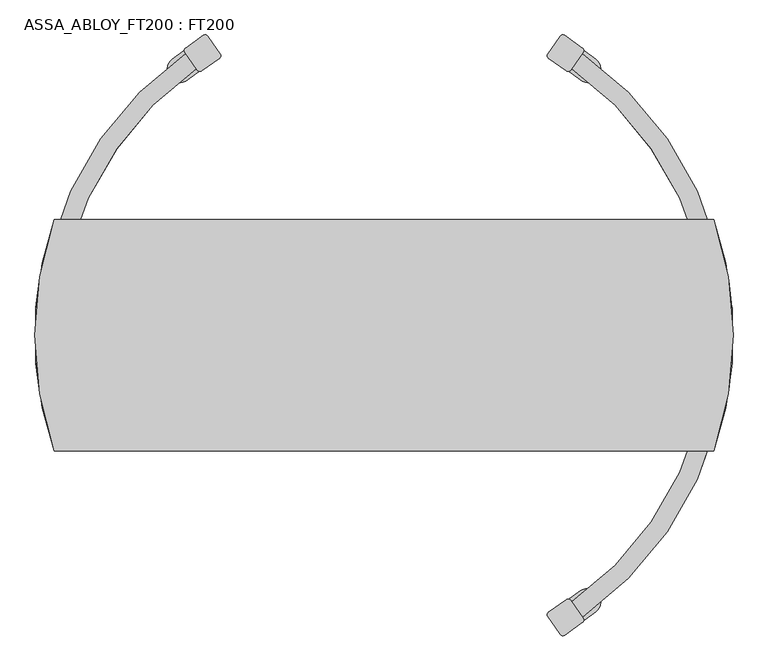
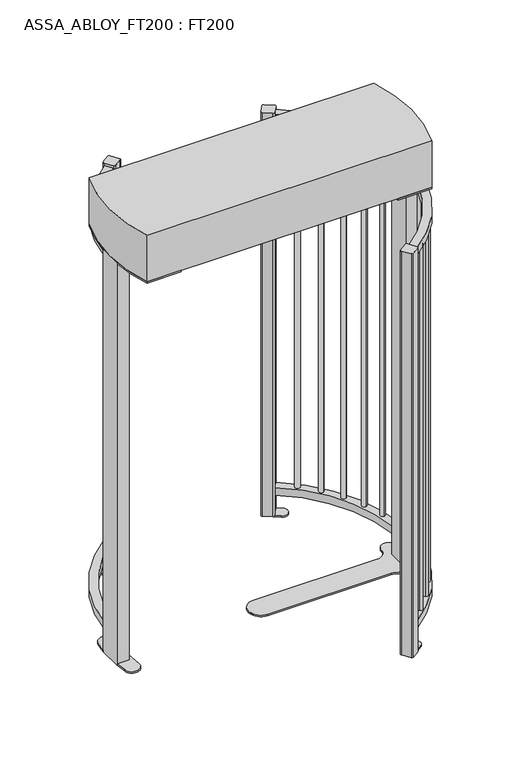
"""IFC4 building model written with IfcOpenShell, lengths in millimetres: proxy geometry, ASSA_ABLOY_FT200 : FT200."""

from ifc_helpers import new_model, si_unit, point, frame, frame_2d, origin, origin_with_axes, origin_2d, place, context, project, spatial, polyline, circle_curve, trimmed, segment, composite_curve, outline, extrude, source, transform, mapped, element, save
from ifc_brep_helpers import plane_surface, cylinder_surface, revolved_surface, advanced_brep


def assa_abloy_ft200_ft200_4cda181b(model_context):
    return source(origin(), model_context, "Body", "SolidModel", [
        extrude(outline(composite_curve([segment(trimmed(circle_curve(origin_2d(), 702.9655826), [point((-404.208902, 575.1310927))], [point((-700.4003215, 60.0))], True, "CARTESIAN"), True, "CONTINUOUS"), segment(polyline([(-700.4003215, 60.0), (-740.5388963, 60.0)]), True, "CONTINUOUS"), segment(trimmed(circle_curve(origin_2d(), 742.9655826), [point((-740.5388963, 60.0))], [point((-427.2091121, 607.8570814))], False, "CARTESIAN"), True, "CONTINUOUS"), segment(polyline([(-427.2091121, 607.8570814), (-404.208902, 575.1310927)]), True, "CONTINUOUS")], self_intersect=False)), frame((0.0, 0.0, 108.5), z_axis=(0.0, 0.0, 1.0), x_axis=(1.0, 0.0, 0.0)), (0.0, 0.0, 1.0), 40.0),
        extrude(outline(composite_curve([segment(trimmed(circle_curve(origin_2d(), 702.9655826), [point((-404.208902, 575.1310927))], [point((-700.4003215, 60.0))], True, "CARTESIAN"), True, "CONTINUOUS"), segment(polyline([(-700.4003215, 60.0), (-740.5388963, 60.0)]), True, "CONTINUOUS"), segment(trimmed(circle_curve(origin_2d(), 742.9655826), [point((-740.5388963, 60.0))], [point((-427.2091121, 607.8570814))], False, "CARTESIAN"), True, "CONTINUOUS"), segment(polyline([(-427.2091121, 607.8570814), (-404.208902, 575.1310927)]), True, "CONTINUOUS")], self_intersect=False)), frame((0.0, 0.0, 2077.0), z_axis=(0.0, 0.0, 1.0), x_axis=(1.0, 0.0, 0.0)), (0.0, 0.0, 1.0), 40.0),
        extrude(outline(composite_curve([segment(trimmed(circle_curve(frame_2d((-385.4083349, 641.5551727)), 6.4), [point((-389.0883685, 646.7913309))], [point((-380.1721767, 645.2352063))], False, "CARTESIAN"), True, "CONTINUOUS"), segment(polyline([(-380.1721767, 645.2352063), (-353.0319288, 606.6185396)]), True, "CONTINUOUS"), segment(trimmed(circle_curve(frame_2d((-358.268087, 602.938506)), 6.4), [point((-353.0319288, 606.6185396))], [point((-354.5880534, 597.7023478))], False, "CARTESIAN"), True, "CONTINUOUS"), segment(polyline([(-354.5880534, 597.7023478), (-393.1849809, 570.5759728)]), True, "CONTINUOUS"), segment(trimmed(circle_curve(frame_2d((-396.8650146, 575.812131)), 6.4), [point((-393.1849809, 570.5759728))], [point((-402.1011728, 572.1320974))], False, "CARTESIAN"), True, "CONTINUOUS"), segment(polyline([(-402.1011728, 572.1320974), (-429.2414207, 610.7487641)]), True, "CONTINUOUS"), segment(trimmed(circle_curve(frame_2d((-424.0052625, 614.4287977)), 6.4), [point((-429.2414207, 610.7487641))], [point((-427.6852961, 619.6649559))], False, "CARTESIAN"), True, "CONTINUOUS"), segment(polyline([(-427.6852961, 619.6649559), (-389.0883685, 646.7913309)]), True, "CONTINUOUS")], self_intersect=False)), origin_with_axes(), (0.0, 0.0, 1.0), 2130.0),
        extrude(outline(composite_curve([segment(trimmed(circle_curve(frame_2d((22.7301443, -32.341724)), 734.3647421), [point((-399.5334393, 568.4785823))], [point((-422.8493965, 551.396614))], True, "CARTESIAN"), True, "CONTINUOUS"), segment(trimmed(circle_curve(frame_2d((-439.8385388, 573.6535016)), 28.0), [point((-422.8493965, 551.396614))], [point((-456.8276812, 595.9103891))], False, "CARTESIAN"), True, "CONTINUOUS"), segment(trimmed(circle_curve(frame_2d((22.7301443, -32.341724)), 790.3647421), [point((-456.8276812, 595.9103891))], [point((-431.7337334, 614.2949664))], False, "CARTESIAN"), True, "CONTINUOUS"), segment(polyline([(-431.7337334, 614.2949664), (-399.5334393, 568.4785823)]), True, "CONTINUOUS")], self_intersect=False)), origin_with_axes(), (0.0, 0.0, 1.0), 8.0),
        advanced_brep(
        [(701.3972813, -175.3425532, 148.5), (706.9882272, -150.9757519, 148.5), (701.3972813, -175.3425532, 2077.0), (707.0228878, -150.9837307, 2077.0)],
        [
            (0, 1, circle_curve(frame((704.2014208, -163.1611411, 148.5), z_axis=(0.0, 0.0, -1.0), x_axis=(0.22571736015093904, 0.9741928316952919, 0.0)), 12.5)),
            (1, 0, circle_curve(frame((704.2014208, -163.1611411, 148.5), z_axis=(0.0, 0.0, -1.0), x_axis=(0.22571736015093904, 0.9741928316952919, 0.0)), 12.5)),
            (2, 3, circle_curve(frame((704.2014208, -163.1611411, 2077.0), z_axis=(0.0, 0.0, 1.0), x_axis=(0.22571736015093904, 0.9741928316952919, 0.0)), 12.5)),
            (3, 2, circle_curve(frame((704.2014208, -163.1611411, 2077.0), z_axis=(0.0, 0.0, 1.0), x_axis=(0.22571736015093904, 0.9741928316952919, 0.0)), 12.5)),
            (1, 3),
            (2, 0),
        ],
        [
            plane_surface(frame((704.243998, -163.1710797, 148.5), z_axis=(0.0, 0.0, -1.0), x_axis=(0.9741928316952919, -0.22571736015093904, 0.0))),
            plane_surface(frame((704.243998, -163.1710797, 2077.0), z_axis=(0.0, 0.0, 1.0), x_axis=(0.9741928316952919, -0.22571736015093904, 0.0))),
            cylinder_surface(frame((704.2014208, -163.1611411, 148.5), z_axis=(0.0, 0.0, -1.0), x_axis=(0.22571736015093904, 0.9741928316952919, 0.0)), 12.5),
        ],
        [
            (0, [[1, 2]]),
            (1, [[3, 4]]),
            (2, [[5, -3, 6, -2]]),
            (2, [[-6, -4, -5, -1]]),
        ],
    ),
        advanced_brep(
        [(676.7879449, -254.2857379, 148.5), (667.5751595, -277.5263117, 148.5), (676.7879449, -254.2857379, 2077.0), (667.5421072, -277.5131822, 2077.0)],
        [
            (0, 1, circle_curve(frame((672.1732868, -265.9027483, 148.5), z_axis=(0.0, 0.0, -1.0), x_axis=(0.3678501839674795, 0.9298850693258235, 0.0)), 12.5)),
            (1, 0, circle_curve(frame((672.1732868, -265.9027483, 148.5), z_axis=(0.0, 0.0, -1.0), x_axis=(0.3678501839674795, 0.9298850693258235, 0.0)), 12.5)),
            (2, 3, circle_curve(frame((672.1732868, -265.9027483, 2077.0), z_axis=(0.0, 0.0, 1.0), x_axis=(0.3678501839674795, 0.9298850693258235, 0.0)), 12.5)),
            (3, 2, circle_curve(frame((672.1732868, -265.9027483, 2077.0), z_axis=(0.0, 0.0, 1.0), x_axis=(0.3678501839674795, 0.9298850693258235, 0.0)), 12.5)),
            (1, 3),
            (2, 0),
        ],
        [
            plane_surface(frame((672.2139166, -265.918898, 148.5), z_axis=(0.0, 0.0, -1.0), x_axis=(0.9298850693258235, -0.3678501839674795, 0.0))),
            plane_surface(frame((672.2139166, -265.918898, 2077.0), z_axis=(0.0, 0.0, 1.0), x_axis=(0.9298850693258235, -0.3678501839674795, 0.0))),
            cylinder_surface(frame((672.1732868, -265.9027483, 148.5), z_axis=(0.0, 0.0, -1.0), x_axis=(0.3678501839674795, 0.9298850693258235, 0.0)), 12.5),
        ],
        [
            (0, [[1, 2]]),
            (1, [[3, 4]]),
            (2, [[5, -3, 6, -2]]),
            (2, [[-6, -4, -5, -1]]),
        ],
    ),
        advanced_brep(
        [(631.5347326, -351.9474966, 148.5), (618.9736169, -373.5627241, 148.5), (631.5347326, -351.9474966, 2077.0), (618.9428802, -373.544833, 2077.0)],
        [
            (0, 1, circle_curve(frame((625.2464874, -362.7506431, 148.5), z_axis=(0.0, 0.0, -1.0), x_axis=(0.5018296388362806, 0.8649664811918715, 0.0)), 12.5)),
            (1, 0, circle_curve(frame((625.2464874, -362.7506431, 148.5), z_axis=(0.0, 0.0, -1.0), x_axis=(0.5018296388362806, 0.8649664811918715, 0.0)), 12.5)),
            (2, 3, circle_curve(frame((625.2464874, -362.7506431, 2077.0), z_axis=(0.0, 0.0, 1.0), x_axis=(0.5018296388362806, 0.8649664811918715, 0.0)), 12.5)),
            (3, 2, circle_curve(frame((625.2464874, -362.7506431, 2077.0), z_axis=(0.0, 0.0, 1.0), x_axis=(0.5018296388362806, 0.8649664811918715, 0.0)), 12.5)),
            (1, 3),
            (2, 0),
        ],
        [
            plane_surface(frame((625.2842693, -362.7726459, 148.5), z_axis=(0.0, 0.0, -1.0), x_axis=(0.8649664811918715, -0.5018296388362806, 0.0))),
            plane_surface(frame((625.2842693, -362.7726459, 2077.0), z_axis=(0.0, 0.0, 1.0), x_axis=(0.8649664811918715, -0.5018296388362806, 0.0))),
            cylinder_surface(frame((625.2464874, -362.7506431, 148.5), z_axis=(0.0, 0.0, -1.0), x_axis=(0.5018296388362806, 0.8649664811918715, 0.0)), 12.5),
        ],
        [
            (0, [[1, 2]]),
            (1, [[3, 4]]),
            (2, [[5, -3, 6, -2]]),
            (2, [[-6, -4, -5, -1]]),
        ],
    ),
        advanced_brep(
        [(572.1141399, -442.027793, 148.5), (556.4756293, -461.5325788, 148.5), (572.1141399, -442.027793, 2077.0), (556.447898, -461.510312, 2077.0)],
        [
            (0, 1, circle_curve(frame((564.2879478, -451.7746241, 148.5), z_axis=(0.0, 0.0, -1.0), x_axis=(0.6249854827810994, 0.7806363726555894, 0.0)), 12.5)),
            (1, 0, circle_curve(frame((564.2879478, -451.7746241, 148.5), z_axis=(0.0, 0.0, -1.0), x_axis=(0.6249854827810994, 0.7806363726555894, 0.0)), 12.5)),
            (2, 3, circle_curve(frame((564.2879478, -451.7746241, 2077.0), z_axis=(0.0, 0.0, 1.0), x_axis=(0.6249854827810994, 0.7806363726555894, 0.0)), 12.5)),
            (3, 2, circle_curve(frame((564.2879478, -451.7746241, 2077.0), z_axis=(0.0, 0.0, 1.0), x_axis=(0.6249854827810994, 0.7806363726555894, 0.0)), 12.5)),
            (1, 3),
            (2, 0),
        ],
        [
            plane_surface(frame((564.3220338, -451.8020055, 148.5), z_axis=(0.0, 0.0, -1.0000000000000002), x_axis=(0.7806363726555894, -0.6249854827810994, 0.0))),
            plane_surface(frame((564.3220338, -451.8020055, 2077.0), z_axis=(0.0, 0.0, 1.0000000000000002), x_axis=(0.7806363726555894, -0.6249854827810994, 0.0))),
            cylinder_surface(frame((564.2879478, -451.7746241, 148.5), z_axis=(0.0, 0.0, -1.0000000000000002), x_axis=(0.6249854827810994, 0.7806363726555894, 0.0)), 12.5),
        ],
        [
            (0, [[1, 2]]),
            (1, [[3, 4]]),
            (2, [[5, -3, 6, -2]]),
            (2, [[-6, -4, -5, -1]]),
        ],
    ),
        advanced_brep(
        [(500.1042882, -522.0582297, 148.5), (481.7532546, -539.0358491, 148.5), (500.1042882, -522.0582297, 2077.0), (481.7502022, -539.0325492, 2077.0)],
        [
            (0, 1, circle_curve(frame((490.9280083, -530.5462145, 148.5), z_axis=(0.0, 0.0, -1.0), x_axis=(0.733980288863185, 0.6791707705432527, 0.0)), 12.5)),
            (1, 0, circle_curve(frame((490.9280083, -530.5462145, 148.5), z_axis=(0.0, 0.0, -1.0), x_axis=(0.733980288863185, 0.6791707705432527, 0.0)), 12.5)),
            (2, 3, circle_curve(frame((490.9280083, -530.5462145, 2077.0), z_axis=(0.0, 0.0, 1.0), x_axis=(0.733980288863185, 0.6791707705432527, 0.0)), 12.5)),
            (3, 2, circle_curve(frame((490.9280083, -530.5462145, 2077.0), z_axis=(0.0, 0.0, 1.0), x_axis=(0.733980288863185, 0.6791707705432527, 0.0)), 12.5)),
            (1, 3),
            (2, 0),
        ],
        [
            plane_surface(frame((490.97255, -530.5943508, 148.5), z_axis=(0.0, 0.0, -1.0000000000000002), x_axis=(0.6791707705432527, -0.733980288863185, 0.0))),
            plane_surface(frame((490.97255, -530.5943508, 2077.0), z_axis=(0.0, 0.0, 1.0000000000000002), x_axis=(0.6791707705432527, -0.733980288863185, 0.0))),
            cylinder_surface(frame((490.9280083, -530.5462145, 148.5), z_axis=(0.0, 0.0, -1.0000000000000002), x_axis=(0.733980288863185, 0.6791707705432527, 0.0)), 12.5),
        ],
        [
            (0, [[1, 2]]),
            (1, [[3, 4]]),
            (2, [[5, -3, 6, -2]]),
            (2, [[-6, -4, -5, -1]]),
        ],
    ),
        extrude(outline(composite_curve([segment(trimmed(circle_curve(origin_2d(), 702.9655826), [point((404.208902, -575.1310927))], [point((700.4003215, -60.0))], True, "CARTESIAN"), True, "CONTINUOUS"), segment(polyline([(700.4003215, -60.0), (740.5388963, -60.0)]), True, "CONTINUOUS"), segment(trimmed(circle_curve(origin_2d(), 742.9655826), [point((740.5388963, -60.0))], [point((427.2091121, -607.8570814))], False, "CARTESIAN"), True, "CONTINUOUS"), segment(polyline([(427.2091121, -607.8570814), (404.208902, -575.1310927)]), True, "CONTINUOUS")], self_intersect=False)), frame((0.0, 0.0, 108.5), z_axis=(0.0, 0.0, 1.0), x_axis=(1.0, 0.0, 0.0)), (0.0, 0.0, 1.0), 40.0),
        extrude(outline(composite_curve([segment(trimmed(circle_curve(origin_2d(), 702.9655826), [point((404.208902, -575.1310927))], [point((700.4003215, -60.0))], True, "CARTESIAN"), True, "CONTINUOUS"), segment(polyline([(700.4003215, -60.0), (740.5388963, -60.0)]), True, "CONTINUOUS"), segment(trimmed(circle_curve(origin_2d(), 742.9655826), [point((740.5388963, -60.0))], [point((427.2091121, -607.8570814))], False, "CARTESIAN"), True, "CONTINUOUS"), segment(polyline([(427.2091121, -607.8570814), (404.208902, -575.1310927)]), True, "CONTINUOUS")], self_intersect=False)), frame((0.0, 0.0, 2077.0), z_axis=(0.0, 0.0, 1.0), x_axis=(1.0, 0.0, 0.0)), (0.0, 0.0, 1.0), 40.0),
        extrude(outline(composite_curve([segment(trimmed(circle_curve(frame_2d((385.4083349, -641.5551727)), 6.4), [point((389.0883685, -646.7913309))], [point((380.1721767, -645.2352063))], False, "CARTESIAN"), True, "CONTINUOUS"), segment(polyline([(380.1721767, -645.2352063), (353.0319288, -606.6185396)]), True, "CONTINUOUS"), segment(trimmed(circle_curve(frame_2d((358.268087, -602.938506)), 6.4), [point((353.0319288, -606.6185396))], [point((354.5880534, -597.7023478))], False, "CARTESIAN"), True, "CONTINUOUS"), segment(polyline([(354.5880534, -597.7023478), (393.1849809, -570.5759728)]), True, "CONTINUOUS"), segment(trimmed(circle_curve(frame_2d((396.8650146, -575.812131)), 6.4), [point((393.1849809, -570.5759728))], [point((402.1011728, -572.1320974))], False, "CARTESIAN"), True, "CONTINUOUS"), segment(polyline([(402.1011728, -572.1320974), (429.2414207, -610.7487641)]), True, "CONTINUOUS"), segment(trimmed(circle_curve(frame_2d((424.0052625, -614.4287977)), 6.4), [point((429.2414207, -610.7487641))], [point((427.6852961, -619.6649559))], False, "CARTESIAN"), True, "CONTINUOUS"), segment(polyline([(427.6852961, -619.6649559), (389.0883685, -646.7913309)]), True, "CONTINUOUS")], self_intersect=False)), origin_with_axes(), (0.0, 0.0, 1.0), 2130.0),
        extrude(outline(composite_curve([segment(trimmed(circle_curve(frame_2d((-22.7301443, 32.341724)), 734.3647421), [point((399.5334393, -568.4785823))], [point((422.8493965, -551.396614))], True, "CARTESIAN"), True, "CONTINUOUS"), segment(trimmed(circle_curve(frame_2d((439.8385388, -573.6535016)), 28.0), [point((422.8493965, -551.396614))], [point((456.8276812, -595.9103891))], False, "CARTESIAN"), True, "CONTINUOUS"), segment(trimmed(circle_curve(frame_2d((-22.7301443, 32.341724)), 790.3647421), [point((456.8276812, -595.9103891))], [point((431.7337334, -614.2949664))], False, "CARTESIAN"), True, "CONTINUOUS"), segment(polyline([(431.7337334, -614.2949664), (399.5334393, -568.4785823)]), True, "CONTINUOUS")], self_intersect=False)), origin_with_axes(), (0.0, 0.0, 1.0), 8.0),
        advanced_brep(
        [(701.3972813, 175.3425532, 148.5), (707.0228878, 150.9837307, 148.5), (701.3972813, 175.3425532, 2077.0), (706.9882272, 150.9757519, 2077.0)],
        [
            (0, 1, circle_curve(frame((704.2014208, 163.1611411, 148.5), z_axis=(0.0, 0.0, -1.0), x_axis=(0.22571736015093904, -0.9741928316952919, 0.0)), 12.5)),
            (1, 0, circle_curve(frame((704.2014208, 163.1611411, 148.5), z_axis=(0.0, 0.0, -1.0), x_axis=(0.22571736015093904, -0.9741928316952919, 0.0)), 12.5)),
            (2, 3, circle_curve(frame((704.2014208, 163.1611411, 2077.0), z_axis=(0.0, 0.0, 1.0), x_axis=(0.22571736015093904, -0.9741928316952919, 0.0)), 12.5)),
            (3, 2, circle_curve(frame((704.2014208, 163.1611411, 2077.0), z_axis=(0.0, 0.0, 1.0), x_axis=(0.22571736015093904, -0.9741928316952919, 0.0)), 12.5)),
            (0, 2),
            (3, 1),
        ],
        [
            plane_surface(frame((704.243998, 163.1710797, 148.5), z_axis=(0.0, 0.0, -1.0), x_axis=(0.9741928316952919, 0.22571736015093904, 0.0))),
            plane_surface(frame((704.243998, 163.1710797, 2077.0), z_axis=(0.0, 0.0, 1.0), x_axis=(0.9741928316952919, 0.22571736015093904, 0.0))),
            cylinder_surface(frame((704.2014208, 163.1611411, 148.5), z_axis=(0.0, 0.0, -1.0), x_axis=(0.22571736015093904, -0.9741928316952919, 0.0)), 12.5),
        ],
        [
            (0, [[1, 2]]),
            (1, [[3, 4]]),
            (2, [[-1, 5, -4, 6]]),
            (2, [[-2, -6, -3, -5]]),
        ],
    ),
        advanced_brep(
        [(676.7879449, 254.2857379, 148.5), (667.5421072, 277.5131822, 148.5), (676.7879449, 254.2857379, 2077.0), (667.5751595, 277.5263117, 2077.0)],
        [
            (0, 1, circle_curve(frame((672.1732868, 265.9027483, 148.5), z_axis=(0.0, 0.0, -1.0), x_axis=(0.3678501839674795, -0.9298850693258235, 0.0)), 12.5)),
            (1, 0, circle_curve(frame((672.1732868, 265.9027483, 148.5), z_axis=(0.0, 0.0, -1.0), x_axis=(0.3678501839674795, -0.9298850693258235, 0.0)), 12.5)),
            (2, 3, circle_curve(frame((672.1732868, 265.9027483, 2077.0), z_axis=(0.0, 0.0, 1.0), x_axis=(0.3678501839674795, -0.9298850693258235, 0.0)), 12.5)),
            (3, 2, circle_curve(frame((672.1732868, 265.9027483, 2077.0), z_axis=(0.0, 0.0, 1.0), x_axis=(0.3678501839674795, -0.9298850693258235, 0.0)), 12.5)),
            (0, 2),
            (3, 1),
        ],
        [
            plane_surface(frame((672.2139166, 265.918898, 148.5), z_axis=(0.0, 0.0, -1.0), x_axis=(0.9298850693258235, 0.3678501839674795, 0.0))),
            plane_surface(frame((672.2139166, 265.918898, 2077.0), z_axis=(0.0, 0.0, 1.0), x_axis=(0.9298850693258235, 0.3678501839674795, 0.0))),
            cylinder_surface(frame((672.1732868, 265.9027483, 148.5), z_axis=(0.0, 0.0, -1.0), x_axis=(0.3678501839674795, -0.9298850693258235, 0.0)), 12.5),
        ],
        [
            (0, [[1, 2]]),
            (1, [[3, 4]]),
            (2, [[-1, 5, -4, 6]]),
            (2, [[-2, -6, -3, -5]]),
        ],
    ),
        advanced_brep(
        [(631.5347326, 351.9474966, 148.5), (618.9428802, 373.544833, 148.5), (631.5347326, 351.9474966, 2077.0), (618.9736169, 373.5627241, 2077.0)],
        [
            (0, 1, circle_curve(frame((625.2464874, 362.7506431, 148.5), z_axis=(0.0, 0.0, -1.0), x_axis=(0.5018296388362806, -0.8649664811918715, 0.0)), 12.5)),
            (1, 0, circle_curve(frame((625.2464874, 362.7506431, 148.5), z_axis=(0.0, 0.0, -1.0), x_axis=(0.5018296388362806, -0.8649664811918715, 0.0)), 12.5)),
            (2, 3, circle_curve(frame((625.2464874, 362.7506431, 2077.0), z_axis=(0.0, 0.0, 1.0), x_axis=(0.5018296388362806, -0.8649664811918715, 0.0)), 12.5)),
            (3, 2, circle_curve(frame((625.2464874, 362.7506431, 2077.0), z_axis=(0.0, 0.0, 1.0), x_axis=(0.5018296388362806, -0.8649664811918715, 0.0)), 12.5)),
            (0, 2),
            (3, 1),
        ],
        [
            plane_surface(frame((625.2842693, 362.7726459, 148.5), z_axis=(0.0, 0.0, -1.0), x_axis=(0.8649664811918715, 0.5018296388362806, 0.0))),
            plane_surface(frame((625.2842693, 362.7726459, 2077.0), z_axis=(0.0, 0.0, 1.0), x_axis=(0.8649664811918715, 0.5018296388362806, 0.0))),
            cylinder_surface(frame((625.2464874, 362.7506431, 148.5), z_axis=(0.0, 0.0, -1.0), x_axis=(0.5018296388362806, -0.8649664811918715, 0.0)), 12.5),
        ],
        [
            (0, [[1, 2]]),
            (1, [[3, 4]]),
            (2, [[-1, 5, -4, 6]]),
            (2, [[-2, -6, -3, -5]]),
        ],
    ),
        advanced_brep(
        [(572.1141399, 442.027793, 148.5), (556.447898, 461.510312, 148.5), (572.1141399, 442.027793, 2077.0), (556.4756293, 461.5325788, 2077.0)],
        [
            (0, 1, circle_curve(frame((564.2879478, 451.7746241, 148.5), z_axis=(0.0, 0.0, -1.0), x_axis=(0.6249854827810994, -0.7806363726555894, 0.0)), 12.5)),
            (1, 0, circle_curve(frame((564.2879478, 451.7746241, 148.5), z_axis=(0.0, 0.0, -1.0), x_axis=(0.6249854827810994, -0.7806363726555894, 0.0)), 12.5)),
            (2, 3, circle_curve(frame((564.2879478, 451.7746241, 2077.0), z_axis=(0.0, 0.0, 1.0), x_axis=(0.6249854827810994, -0.7806363726555894, 0.0)), 12.5)),
            (3, 2, circle_curve(frame((564.2879478, 451.7746241, 2077.0), z_axis=(0.0, 0.0, 1.0), x_axis=(0.6249854827810994, -0.7806363726555894, 0.0)), 12.5)),
            (0, 2),
            (3, 1),
        ],
        [
            plane_surface(frame((564.3220338, 451.8020055, 148.5), z_axis=(0.0, 0.0, -1.0000000000000002), x_axis=(0.7806363726555894, 0.6249854827810994, 0.0))),
            plane_surface(frame((564.3220338, 451.8020055, 2077.0), z_axis=(0.0, 0.0, 1.0000000000000002), x_axis=(0.7806363726555894, 0.6249854827810994, 0.0))),
            cylinder_surface(frame((564.2879478, 451.7746241, 148.5), z_axis=(0.0, 0.0, -1.0000000000000002), x_axis=(0.6249854827810994, -0.7806363726555894, 0.0)), 12.5),
        ],
        [
            (0, [[1, 2]]),
            (1, [[3, 4]]),
            (2, [[-1, 5, -4, 6]]),
            (2, [[-2, -6, -3, -5]]),
        ],
    ),
        advanced_brep(
        [(500.1042882, 522.0582297, 148.5), (481.7502022, 539.0325492, 148.5), (500.1042882, 522.0582297, 2077.0), (481.7532546, 539.0358491, 2077.0)],
        [
            (0, 1, circle_curve(frame((490.9280083, 530.5462145, 148.5), z_axis=(0.0, 0.0, -1.0), x_axis=(0.733980288863185, -0.6791707705432527, 0.0)), 12.5)),
            (1, 0, circle_curve(frame((490.9280083, 530.5462145, 148.5), z_axis=(0.0, 0.0, -1.0), x_axis=(0.733980288863185, -0.6791707705432527, 0.0)), 12.5)),
            (2, 3, circle_curve(frame((490.9280083, 530.5462145, 2077.0), z_axis=(0.0, 0.0, 1.0), x_axis=(0.733980288863185, -0.6791707705432527, 0.0)), 12.5)),
            (3, 2, circle_curve(frame((490.9280083, 530.5462145, 2077.0), z_axis=(0.0, 0.0, 1.0), x_axis=(0.733980288863185, -0.6791707705432527, 0.0)), 12.5)),
            (0, 2),
            (3, 1),
        ],
        [
            plane_surface(frame((490.97255, 530.5943508, 148.5), z_axis=(0.0, 0.0, -1.0000000000000002), x_axis=(0.6791707705432527, 0.733980288863185, 0.0))),
            plane_surface(frame((490.97255, 530.5943508, 2077.0), z_axis=(0.0, 0.0, 1.0000000000000002), x_axis=(0.6791707705432527, 0.733980288863185, 0.0))),
            cylinder_surface(frame((490.9280083, 530.5462145, 148.5), z_axis=(0.0, 0.0, -1.0000000000000002), x_axis=(0.733980288863185, -0.6791707705432527, 0.0)), 12.5),
        ],
        [
            (0, [[1, 2]]),
            (1, [[3, 4]]),
            (2, [[-1, 5, -4, 6]]),
            (2, [[-2, -6, -3, -5]]),
        ],
    ),
        extrude(outline(composite_curve([segment(polyline([(404.208902, 575.1310927), (427.2091121, 607.8570814)]), True, "CONTINUOUS"), segment(trimmed(circle_curve(origin_2d(), 742.9655826), [point((427.2091121, 607.8570814))], [point((740.5388963, 60.0))], False, "CARTESIAN"), True, "CONTINUOUS"), segment(polyline([(740.5388963, 60.0), (700.4003215, 60.0)]), True, "CONTINUOUS"), segment(trimmed(circle_curve(origin_2d(), 702.9655826), [point((700.4003215, 60.0))], [point((404.208902, 575.1310927))], True, "CARTESIAN"), True, "CONTINUOUS")], self_intersect=False)), frame((0.0, 0.0, 108.5), z_axis=(0.0, 0.0, 1.0), x_axis=(1.0, 0.0, 0.0)), (0.0, 0.0, 1.0), 40.0),
        extrude(outline(composite_curve([segment(polyline([(404.208902, 575.1310927), (427.2091121, 607.8570814)]), True, "CONTINUOUS"), segment(trimmed(circle_curve(origin_2d(), 742.9655826), [point((427.2091121, 607.8570814))], [point((740.5388963, 60.0))], False, "CARTESIAN"), True, "CONTINUOUS"), segment(polyline([(740.5388963, 60.0), (700.4003215, 60.0)]), True, "CONTINUOUS"), segment(trimmed(circle_curve(origin_2d(), 702.9655826), [point((700.4003215, 60.0))], [point((404.208902, 575.1310927))], True, "CARTESIAN"), True, "CONTINUOUS")], self_intersect=False)), frame((0.0, 0.0, 2077.0), z_axis=(0.0, 0.0, 1.0), x_axis=(1.0, 0.0, 0.0)), (0.0, 0.0, 1.0), 40.0),
        extrude(outline(composite_curve([segment(polyline([(389.0883685, 646.7913309), (427.6852961, 619.6649559)]), True, "CONTINUOUS"), segment(trimmed(circle_curve(frame_2d((424.0052625, 614.4287977)), 6.4), [point((427.6852961, 619.6649559))], [point((429.2414207, 610.7487641))], False, "CARTESIAN"), True, "CONTINUOUS"), segment(polyline([(429.2414207, 610.7487641), (402.1011728, 572.1320974)]), True, "CONTINUOUS"), segment(trimmed(circle_curve(frame_2d((396.8650146, 575.812131)), 6.4), [point((402.1011728, 572.1320974))], [point((393.1849809, 570.5759728))], False, "CARTESIAN"), True, "CONTINUOUS"), segment(polyline([(393.1849809, 570.5759728), (354.5880534, 597.7023478)]), True, "CONTINUOUS"), segment(trimmed(circle_curve(frame_2d((358.268087, 602.938506)), 6.4), [point((354.5880534, 597.7023478))], [point((353.0319288, 606.6185396))], False, "CARTESIAN"), True, "CONTINUOUS"), segment(polyline([(353.0319288, 606.6185396), (380.1721767, 645.2352063)]), True, "CONTINUOUS"), segment(trimmed(circle_curve(frame_2d((385.4083349, 641.5551727)), 6.4), [point((380.1721767, 645.2352063))], [point((389.0883685, 646.7913309))], False, "CARTESIAN"), True, "CONTINUOUS")], self_intersect=False)), origin_with_axes(), (0.0, 0.0, 1.0), 2130.0),
        extrude(outline(composite_curve([segment(polyline([(399.5334393, 568.4785823), (431.7337334, 614.2949664)]), True, "CONTINUOUS"), segment(trimmed(circle_curve(frame_2d((-22.7301443, -32.341724)), 790.3647421), [point((431.7337334, 614.2949664))], [point((456.8276812, 595.9103891))], False, "CARTESIAN"), True, "CONTINUOUS"), segment(trimmed(circle_curve(frame_2d((439.8385388, 573.6535016)), 28.0), [point((456.8276812, 595.9103891))], [point((422.8493965, 551.396614))], False, "CARTESIAN"), True, "CONTINUOUS"), segment(trimmed(circle_curve(frame_2d((-22.7301443, -32.341724)), 734.3647421), [point((422.8493965, 551.396614))], [point((399.5334393, 568.4785823))], True, "CARTESIAN"), True, "CONTINUOUS")], self_intersect=False)), origin_with_axes(), (0.0, 0.0, 1.0), 8.0),
        extrude(outline(composite_curve([segment(polyline([(-690.5, 60.0), (-750.2316667, 60.0)]), True, "CONTINUOUS"), segment(trimmed(circle_curve(frame_2d((-0.6285881, 0.0)), 752.0005156), [point((-750.2316667, 60.0))], [point((-743.6410351, 115.9192782))], False, "CARTESIAN"), True, "CONTINUOUS"), segment(trimmed(circle_curve(frame_2d((-705.7, 110.0)), 38.4), [point((-743.6410351, 115.9192782))], [point((-667.7118538, 104.391012))], False, "CARTESIAN"), True, "CONTINUOUS"), segment(trimmed(circle_curve(frame_2d((39.3, 0.0)), 714.6770213), [point((-667.7118538, 104.391012))], [point((-667.7118538, -104.391012))], True, "CARTESIAN"), True, "CONTINUOUS"), segment(trimmed(circle_curve(frame_2d((-705.7, -110.0)), 38.4), [point((-667.7118538, -104.391012))], [point((-743.6410351, -115.9192782))], False, "CARTESIAN"), True, "CONTINUOUS"), segment(trimmed(circle_curve(frame_2d((-0.6285881, 0.0)), 752.0005156), [point((-743.6410351, -115.9192782))], [point((-750.2316667, -60.0))], False, "CARTESIAN"), True, "CONTINUOUS"), segment(polyline([(-750.2316667, -60.0), (-690.5, -60.0), (-690.5, 60.0)]), True, "CONTINUOUS")], self_intersect=False)), origin_with_axes(), (0.0, 0.0, 1.0), 8.0),
        extrude(outline(polyline([(-750.5, 60.0), (-690.5, 60.0), (-690.5, -60.0), (-750.5, -60.0), (-750.5, 60.0)])), origin_with_axes(), (0.0, 0.0, 1.0), 2125.0),
        extrude(outline(composite_curve([segment(polyline([(-541.1, 249.999079), (-541.1, -249.999079), (-710.4571641, -249.999079)]), True, "CONTINUOUS"), segment(trimmed(circle_curve(frame_2d((11.8, -0.000921)), 764.3), [point((-710.4571641, -249.999079))], [point((-750.1413367, -60.0))], False, "CARTESIAN"), True, "CONTINUOUS"), segment(polyline([(-750.1413367, -60.0), (-690.5260248, -60.0), (-690.5260248, 60.0), (-750.1411916, 60.0)]), True, "CONTINUOUS"), segment(trimmed(circle_curve(frame_2d((11.8, -0.000921)), 764.3), [point((-750.1411916, 60.0))], [point((-710.4565265, 249.999079))], False, "CARTESIAN"), True, "CONTINUOUS"), segment(polyline([(-710.4565265, 249.999079), (-541.1, 249.999079)]), True, "CONTINUOUS")], self_intersect=False)), frame((0.0, 0.0, 2117.0), z_axis=(0.0, 0.0, 1.0), x_axis=(1.0, 0.0, 0.0)), (0.0, 0.0, 1.0), 8.0),
        extrude(outline(composite_curve([segment(polyline([(541.1, 249.999079), (710.4565269, 249.999079)]), True, "CONTINUOUS"), segment(trimmed(circle_curve(frame_2d((-11.8, 0.1034443)), 764.2658692), [point((710.4565269, 249.999079))], [point((750.1151668, 60.0))], False, "CARTESIAN"), True, "CONTINUOUS"), segment(polyline([(750.1151668, 60.0), (690.5, 60.0), (690.5, -60.0), (750.167361, -60.0)]), True, "CONTINUOUS"), segment(trimmed(circle_curve(frame_2d((-11.8, 0.1034443)), 764.3341437), [point((750.167361, -60.0))], [point((710.4571641, -249.999079))], False, "CARTESIAN"), True, "CONTINUOUS"), segment(polyline([(710.4571641, -249.999079), (541.1, -249.999079), (541.1, 249.999079)]), True, "CONTINUOUS")], self_intersect=False)), frame((0.0, 0.0, 2117.0), z_axis=(0.0, 0.0, 1.0), x_axis=(1.0, 0.0, 0.0)), (0.0, 0.0, 1.0), 8.0),
        extrude(outline(composite_curve([segment(trimmed(circle_curve(frame_2d((-11.8, -0.000921)), 764.3), [point((710.4565265, 249.999079))], [point((710.4571641, -249.999079))], False, "CARTESIAN"), True, "CONTINUOUS"), segment(polyline([(710.4571641, -249.999079), (-710.4571641, -249.999079)]), True, "CONTINUOUS"), segment(trimmed(circle_curve(frame_2d((11.8, -0.000921)), 764.3), [point((-710.4571641, -249.999079))], [point((-710.4565265, 249.999079))], False, "CARTESIAN"), True, "CONTINUOUS"), segment(polyline([(-710.4565265, 249.999079), (710.4565265, 249.999079)]), True, "CONTINUOUS")], self_intersect=False)), frame((0.0, 0.0, 2125.0), z_axis=(0.0, 0.0, 1.0), x_axis=(1.0, 0.0, 0.0)), (0.0, 0.0, 1.0), 245.0),
        extrude(outline(polyline([(750.5, 60.0), (750.5, -60.0), (690.5, -60.0), (690.5, 60.0), (750.5, 60.0)])), origin_with_axes(), (0.0, 0.0, 1.0), 2125.0),
        advanced_brep(
        [(690.5, 59.9999769, 0.0), (690.5, -59.9991967, 0.0), (750.0173038, -59.9991967, 0.0), (743.2226463, -117.1791282, 0.0), (667.1351405, -109.9974643, 0.0), (617.1446671, -60.0040347, 0.0), (0.0, -60.0, 0.0), (0.0, 60.0, 0.0), (617.1, 60.0, 0.0), (667.0987914, 110.0273153, 0.0), (743.0859265, 117.8952218, 0.0), (750.0173273, 59.9999769, 0.0), (690.5, 59.9999769, 8.0), (750.0173273, 59.9999769, 8.0), (743.0859265, 117.8952218, 8.0), (667.0987913, 110.0273153, 8.0), (617.1, 60.0011188, 8.0), (0.0, 60.0, 8.0), (0.0, -60.0, 8.0), (617.1446671, -60.0040347, 8.0), (667.1351405, -109.9974643, 8.0), (743.2226463, -117.1791282, 8.0), (750.0173038, -59.9991967, 8.0), (690.5, -59.9991967, 8.0)],
        [
            (0, 1),
            (1, 2),
            (2, 3, circle_curve(frame((338.1699861, -40.0532919, 0.0), z_axis=(0.0, 0.0, -1.0), x_axis=(1.0, 0.0, 0.0)), 412.3300282)),
            (3, 4, circle_curve(frame((705.5176067, -109.999734, 0.0), z_axis=(0.0, 0.0, -1.0), x_axis=(1.0, 0.0, 0.0)), 38.3824662)),
            (4, 5, circle_curve(frame((617.1446671, -109.9945082, 0.0), z_axis=(0.0, 0.0, 1.0), x_axis=(1.0, 0.0, 0.0)), 49.9904735)),
            (5, 6),
            (6, 7, circle_curve(frame((0.0, 0.0, 0.0), z_axis=(0.0, 0.0, -1.0), x_axis=(1.0, 0.0, 0.0)), 60.0)),
            (7, 8),
            (8, 9, circle_curve(frame((617.1, 109.9999177, 0.0), z_axis=(0.0, 0.0, 1.0), x_axis=(1.0, 0.0, 0.0)), 49.998799)),
            (9, 10, circle_curve(frame((705.497512, 110.0483564, 0.0), z_axis=(0.0, 0.0, -1.0), x_axis=(1.0, 0.0, 0.0)), 38.3987265)),
            (10, 11, circle_curve(frame((338.1697787, 40.0548399, 0.0), z_axis=(0.0, 0.0, -1.0), x_axis=(1.0, 0.0, 0.0)), 412.3302218)),
            (11, 0),
            (12, 13),
            (13, 14, circle_curve(frame((338.1697787, 40.0548399, 8.0), z_axis=(0.0, 0.0, 1.0), x_axis=(1.0, 0.0, 0.0)), 412.3302218)),
            (14, 15, circle_curve(frame((705.497512, 110.0483564, 8.0), z_axis=(0.0, 0.0, 1.0), x_axis=(1.0, 0.0, 0.0)), 38.3987265)),
            (15, 16, circle_curve(frame((617.1, 109.9999177, 8.0), z_axis=(0.0, 0.0, -1.0), x_axis=(1.0, 0.0, 0.0)), 49.998799)),
            (16, 17),
            (17, 18, circle_curve(frame((0.0, 0.0, 8.0), z_axis=(0.0, 0.0, 1.0), x_axis=(1.0, 0.0, 0.0)), 60.0)),
            (18, 19),
            (19, 20, circle_curve(frame((617.1446671, -109.9945082, 8.0), z_axis=(0.0, 0.0, -1.0), x_axis=(1.0, 0.0, 0.0)), 49.9904735)),
            (20, 21, circle_curve(frame((705.5176067, -109.999734, 8.0), z_axis=(0.0, 0.0, 1.0), x_axis=(1.0, 0.0, 0.0)), 38.3824662)),
            (21, 22, circle_curve(frame((338.1699861, -40.0532919, 8.0), z_axis=(0.0, 0.0, 1.0), x_axis=(1.0, 0.0, 0.0)), 412.3300282)),
            (22, 23),
            (23, 12),
            (6, 18),
            (17, 7),
            (11, 13),
            (12, 0),
            (10, 14),
            (9, 15),
            (8, 16),
            (5, 19),
            (4, 20),
            (3, 21),
            (2, 22),
            (1, 23),
        ],
        [
            plane_surface(frame((750.0173273, 59.9999769, 0.0), z_axis=(0.0, 0.0, -1.0), x_axis=(-1.0, 0.0, 0.0))),
            plane_surface(frame((750.0173273, 59.9999769, 8.0), z_axis=(0.0, 0.0, 1.0), x_axis=(1.0, 0.0, 0.0))),
            cylinder_surface(origin_with_axes(), 60.0),
            plane_surface(frame((690.5, 59.9999769, 8.0), z_axis=(0.0, -1.0, 0.0), x_axis=(0.0, 0.0, -1.0))),
            cylinder_surface(frame((338.1697787, 40.0548399, 0.0), z_axis=(0.0, 0.0, 1.0), x_axis=(1.0, 0.0, 0.0)), 412.3302218),
            cylinder_surface(frame((705.497512, 110.0483564, 0.0), z_axis=(0.0, 0.0, 1.0), x_axis=(1.0, 0.0, 0.0)), 38.3987265),
            revolved_surface(polyline([(667.098799, 109.9999177, 0.0), (667.098799, 109.9999177, 8.0)]), (617.1, 109.9999177, 0.0), (0.0, 0.0, -1.0)),
            plane_surface(frame((617.1, 60.0, 8.0), z_axis=(0.0, 1.0, 0.0), x_axis=(0.0, 0.0, -1.0))),
            plane_surface(frame((600.5, -60.0040347, 8.0), z_axis=(0.0, -1.0, 0.0), x_axis=(0.0, 0.0, -1.0))),
            revolved_surface(polyline([(667.1351406, -109.9945082, 0.0), (667.1351406, -109.9945082, 8.0)]), (617.1446671, -109.9945082, 0.0), (0.0, 0.0, -1.0)),
            cylinder_surface(frame((705.5176067, -109.999734, 0.0), z_axis=(0.0, 0.0, 1.0), x_axis=(1.0, 0.0, 0.0)), 38.3824662),
            cylinder_surface(frame((338.1699861, -40.0532919, 0.0), z_axis=(0.0, 0.0, 1.0), x_axis=(1.0, 0.0, 0.0)), 412.3300282),
            plane_surface(frame((750.0173038, -59.9991967, 8.0), z_axis=(0.0, 1.0, 0.0), x_axis=(0.0, 0.0, -1.0))),
            plane_surface(frame((690.5, -59.9991967, 8.0), z_axis=(1.0, 0.0, 0.0), x_axis=(0.0, 0.0, -1.0))),
        ],
        [
            (0, [[1, 2, 3, 4, 5, 6, 7, 8, 9, 10, 11, 12]]),
            (1, [[13, 14, 15, 16, 17, 18, 19, 20, 21, 22, 23, 24]]),
            (2, [[-7, 25, -18, 26]]),
            (3, [[-12, 27, -13, 28]]),
            (4, [[-11, 29, -14, -27]]),
            (5, [[-10, 30, -15, -29]]),
            (6, [[-9, 31, -16, -30]]),
            (7, [[-8, -26, -17, -31]]),
            (8, [[-6, 32, -19, -25]]),
            (9, [[-5, 33, -20, -32]]),
            (10, [[-4, 34, -21, -33]]),
            (11, [[-3, 35, -22, -34]]),
            (12, [[-2, 36, -23, -35]]),
            (13, [[-1, -28, -24, -36]]),
        ],
    ),
    ])


if __name__ == "__main__":
    model = new_model("IFC4")
    model_context = context("Model", 3, world=origin())
    ifc_project = project(units=[si_unit("LENGTHUNIT", "METRE", prefix="MILLI")], contexts=[model_context])
    site = spatial("IfcSite", under=ifc_project)
    building = spatial("IfcBuilding", under=site)
    placement = place(None, origin())
    assa_abloy_ft200_ft200_shape = assa_abloy_ft200_ft200_4cda181b(model_context)
    element("IfcBuildingElementProxy", 1, Name="ASSA_ABLOY_FT200 : FT200", ObjectType="ASSA_ABLOY_FT200 : FT200", at=placement, inside=building, context=model_context, shape_type="MappedRepresentation", body=[
        mapped(assa_abloy_ft200_ft200_shape, transform((0.0, 0.0, 0.0), x_axis=(1.0, 0.0, 0.0), y_axis=(0.0, 1.0, 0.0), z_axis=(0.0, 0.0, 1.0))),
    ])
    save(model, "model.ifc")
